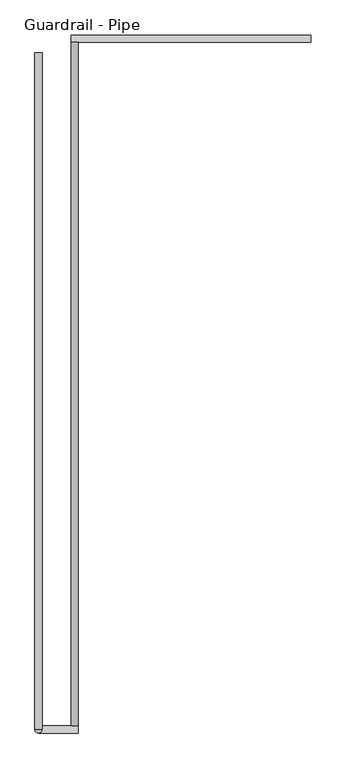
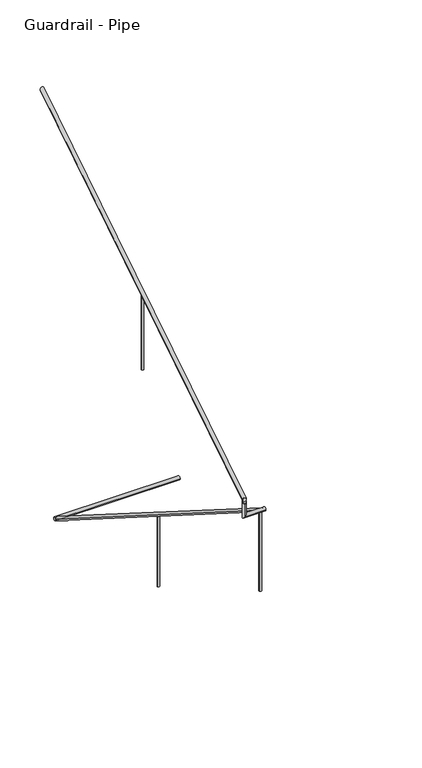
"""IFC4 building model written with IfcOpenShell, lengths in millimetres: railing geometry, Guardrail - Pipe."""

from ifc_helpers import new_model, si_unit, frame, origin, place, context, project, spatial, circle_curve, ellipse_curve, source, transform, mapped, element, save
from ifc_brep_helpers import plane_surface, cylinder_surface, advanced_brep


def guardrail_pipe_4aef4493(model_context):
    return source(origin(), model_context, "Body", "AdvancedBrep", [
        advanced_brep(
        [(583045.6754676, -251225.8580223, 880.1377262), (583007.5754676, -251225.8580223, 880.1377262), (583045.6754676, -254896.1580223, 3203.4252683), (583007.5754676, -254896.1580223, 3203.4252683)],
        [
            (0, 1, ellipse_curve(frame((583026.6254676, -251225.8580223, 880.1377262), z_axis=(0.0, 1.0, 0.0), x_axis=(0.0, 0.0, -1.0)), 22.5457755, 19.05)),
            (1, 0, ellipse_curve(frame((583026.6254676, -251225.8580223, 880.1377262), z_axis=(0.0, 1.0, 0.0), x_axis=(0.0, 0.0, -1.0)), 22.5457755, 19.05)),
            (2, 3, ellipse_curve(frame((583026.6254676, -254896.1580223, 3203.4252683), z_axis=(0.0, -1.0, 0.0), x_axis=(0.0, 0.0, -1.0)), 22.5457755, 19.05)),
            (3, 2, ellipse_curve(frame((583026.6254676, -254896.1580223, 3203.4252683), z_axis=(0.0, -1.0, 0.0), x_axis=(0.0, 0.0, -1.0)), 22.5457755, 19.05)),
            (1, 3),
            (2, 0),
        ],
        [
            plane_surface(frame((583026.6254676, -251225.8580223, 902.6835017), z_axis=(0.0, 1.0, 0.0), x_axis=(0.0, 0.0, -1.0))),
            plane_surface(frame((583026.6254676, -254896.1580223, 3225.9710438), z_axis=(0.0, -1.0, 0.0), x_axis=(0.0, 0.0, -1.0))),
            cylinder_surface(frame((583026.6254676, -251236.0468961, 886.587249), z_axis=(0.0, 0.8449476488296452, -0.5348490167675869), x_axis=(-1.0, 0.0, 0.0)), 19.05),
        ],
        [
            (0, [[1, 2]]),
            (1, [[3, 4]]),
            (2, [[-2, 5, -3, 6]]),
            (2, [[-1, -6, -4, -5]]),
        ],
    ),
        advanced_brep(
        [(583045.6754676, -254934.2580223, 3218.9796296), (583045.6754676, -254896.1580223, 3218.9796296), (582832.105137, -254896.1580223, 3218.9796296), (582832.105137, -254934.2580223, 3218.9796296), (582832.105137, -254934.2580223, 3357.738752), (582832.105137, -254896.1580223, 3381.8559237)],
        [
            (0, 1, circle_curve(frame((583045.6754676, -254915.2080223, 3218.9796296), z_axis=(1.0, 0.0, 0.0), x_axis=(0.0, 1.0, 0.0)), 19.05)),
            (1, 0, circle_curve(frame((583045.6754676, -254915.2080223, 3218.9796296), z_axis=(1.0, 0.0, 0.0), x_axis=(0.0, 1.0, 0.0)), 19.05)),
            (1, 2),
            (2, 3, ellipse_curve(frame((582832.105137, -254915.2080223, 3218.9796296), z_axis=(0.7071067811865475, 0.0, -0.7071067811865475), x_axis=(0.7071067811865476, 0.0, 0.7071067811865474)), 26.9407684, 19.05)),
            (3, 0),
            (3, 2, ellipse_curve(frame((582832.105137, -254915.2080223, 3218.9796296), z_axis=(0.7071067811865475, 0.0, -0.7071067811865475), x_axis=(0.7071067811865476, 0.0, 0.7071067811865474)), 26.9407684, 19.05)),
            (4, 5, ellipse_curve(frame((582832.105137, -254915.2080223, 3369.7973379), z_axis=(0.0, -0.5348490167675869, 0.8449476488296452), x_axis=(0.0, -0.8449476488296452, -0.5348490167675869)), 22.5457755, 19.05)),
            (5, 4, ellipse_curve(frame((582832.105137, -254915.2080223, 3369.7973379), z_axis=(0.0, -0.5348490167675869, 0.8449476488296452), x_axis=(0.0, -0.8449476488296452, -0.5348490167675869)), 22.5457755, 19.05)),
            (2, 5),
            (4, 3),
        ],
        [
            plane_surface(frame((583045.6754676, -254915.2080223, 3238.0296296), z_axis=(1.0, 0.0, 0.0), x_axis=(0.0, -1.0, 0.0))),
            cylinder_surface(frame((583045.6754676, -254915.2080223, 3218.9796296), z_axis=(1.0, 0.0, 0.0), x_axis=(0.0, 1.0, 0.0)), 19.05),
            plane_surface(frame((582851.155137, -254915.2080223, 3369.7973379), z_axis=(0.0, -0.5348490167675869, 0.8449476488296452), x_axis=(1.0, 0.0, 0.0))),
            cylinder_surface(frame((582832.105137, -254915.2080223, 3238.0296296), z_axis=(0.0, 0.0, -1.0), x_axis=(0.0, 1.0, 0.0)), 19.05),
        ],
        [
            (0, [[1, 2]]),
            (1, [[-2, 3, 4, 5]]),
            (1, [[-1, -5, 6, -3]]),
            (2, [[7, 8]]),
            (3, [[-4, 9, -7, 10]]),
            (3, [[-6, -10, -8, -9]]),
        ],
    ),
        advanced_brep(
        [(582813.055137, -254915.2080223, 3392.3431134), (582851.155137, -254915.2080223, 3392.3431134), (582813.055137, -251283.0080223, 5691.5134838), (582851.155137, -251283.0080223, 5691.5134838)],
        [
            (0, 1, ellipse_curve(frame((582832.105137, -254915.2080223, 3392.3431134), z_axis=(0.0, -1.0, 0.0), x_axis=(0.0, 0.0, -1.0)), 22.5457755, 19.05)),
            (1, 0, ellipse_curve(frame((582832.105137, -254915.2080223, 3392.3431134), z_axis=(0.0, -1.0, 0.0), x_axis=(0.0, 0.0, -1.0)), 22.5457755, 19.05)),
            (2, 3, ellipse_curve(frame((582832.105137, -251283.0080223, 5691.5134838), z_axis=(0.0, 1.0, 0.0), x_axis=(0.0, 0.0, -1.0)), 22.5457755, 19.05)),
            (3, 2, ellipse_curve(frame((582832.105137, -251283.0080223, 5691.5134838), z_axis=(0.0, 1.0, 0.0), x_axis=(0.0, 0.0, -1.0)), 22.5457755, 19.05)),
            (1, 3),
            (2, 0),
        ],
        [
            plane_surface(frame((582832.105137, -254915.2080223, 3414.8888889), z_axis=(0.0, -1.0, 0.0), x_axis=(0.0, 0.0, 1.0))),
            plane_surface(frame((582832.105137, -251283.0080223, 5714.0592593), z_axis=(0.0, 1.0, 0.0), x_axis=(0.0, 0.0, 1.0))),
            cylinder_surface(frame((582832.105137, -254905.0191486, 3398.7926362), z_axis=(0.0, -0.8449476488296452, -0.5348490167675869), x_axis=(1.0, 0.0, 0.0)), 19.05),
        ],
        [
            (0, [[1, 2]]),
            (1, [[3, 4]]),
            (2, [[-2, 5, -3, 6]]),
            (2, [[-1, -6, -4, -5]]),
        ],
    ),
        advanced_brep(
        [(584296.6254676, -251225.8580223, 871.5749158), (584296.6254676, -251187.7580223, 871.5749158), (583007.5754676, -251225.8580223, 871.5749158), (583007.5754676, -251187.7580223, 871.5749158)],
        [
            (0, 1, circle_curve(frame((584296.6254676, -251206.8080223, 871.5749158), z_axis=(1.0, 0.0, 0.0), x_axis=(0.0, 1.0, 0.0)), 19.05)),
            (1, 0, circle_curve(frame((584296.6254676, -251206.8080223, 871.5749158), z_axis=(1.0, 0.0, 0.0), x_axis=(0.0, 1.0, 0.0)), 19.05)),
            (2, 3, circle_curve(frame((583007.5754676, -251206.8080223, 871.5749158), z_axis=(-1.0, 0.0, 0.0), x_axis=(0.0, 1.0, 0.0)), 19.05)),
            (3, 2, circle_curve(frame((583007.5754676, -251206.8080223, 871.5749158), z_axis=(-1.0, 0.0, 0.0), x_axis=(0.0, 1.0, 0.0)), 19.05)),
            (1, 3),
            (2, 0),
        ],
        [
            plane_surface(frame((584296.6254676, -251206.8080223, 890.6249158), z_axis=(1.0, 0.0, 0.0), x_axis=(0.0, -1.0, 0.0))),
            plane_surface(frame((583007.5754676, -251206.8080223, 890.6249158), z_axis=(-1.0, 0.0, 0.0), x_axis=(0.0, -1.0, 0.0))),
            cylinder_surface(frame((584296.6254676, -251206.8080223, 871.5749158), z_axis=(1.0, 0.0, 0.0), x_axis=(0.0, 1.0, 0.0)), 19.05),
        ],
        [
            (0, [[1, 2]]),
            (1, [[3, 4]]),
            (2, [[-2, 5, -3, 6]]),
            (2, [[-1, -6, -4, -5]]),
        ],
    ),
        advanced_brep(
        [(582844.805137, -253086.4080223, 4527.4215803), (582844.805137, -253086.4080223, 3714.0444444), (582819.405137, -253086.4080223, 3714.0444444), (582819.405137, -253086.4080223, 4527.4215803)],
        [
            (0, 1),
            (1, 2, circle_curve(frame((582832.105137, -253086.4080223, 3714.0444444), z_axis=(0.0, 0.0, 1.0), x_axis=(-1.0, 0.0, 0.0)), 12.7)),
            (2, 3),
            (3, 0, ellipse_curve(frame((582832.105137, -253086.4080223, 4527.4215803), z_axis=(0.0, 0.5348490167675828, -0.844947648829648), x_axis=(0.0, 0.8449476488296481, 0.5348490167675825)), 15.030517, 12.7)),
            (0, 3, ellipse_curve(frame((582832.105137, -253086.4080223, 4527.4215803), z_axis=(0.0, 0.5348490167675828, -0.844947648829648), x_axis=(0.0, 0.8449476488296481, 0.5348490167675825)), 15.030517, 12.7)),
            (2, 1, circle_curve(frame((582832.105137, -253086.4080223, 3714.0444444), z_axis=(0.0, 0.0, 1.0), x_axis=(-1.0, 0.0, 0.0)), 12.7)),
        ],
        [
            cylinder_surface(frame((582832.105137, -253086.4080223, 3485.4444444), z_axis=(0.0, 0.0, 1.0), x_axis=(-1.0, 0.0, 0.0)), 12.7),
            plane_surface(frame((582806.705137, -253061.0080223, 4543.4996948), z_axis=(0.0, -0.5348490167675828, 0.844947648829648), x_axis=(1.0, 0.0, 0.0))),
            plane_surface(frame((582806.705137, -253111.8080223, 3714.0444444), z_axis=(0.0, 0.0, -1.0), x_axis=(1.0, 0.0, 0.0))),
        ],
        [
            (0, [[1, 2, 3, 4]]),
            (0, [[-1, 5, -3, 6]]),
            (1, [[-4, -5]]),
            (2, [[-2, -6]]),
        ],
    ),
        advanced_brep(
        [(583013.9254676, -254864.4080223, 3160.7818497), (583013.9254676, -254864.4080223, 2299.1703704), (583039.3254676, -254864.4080223, 2299.1703704), (583039.3254676, -254864.4080223, 3160.7818497)],
        [
            (0, 1),
            (1, 2, circle_curve(frame((583026.6254676, -254864.4080223, 2299.1703704), z_axis=(0.0, 0.0, 1.0), x_axis=(1.0, 0.0, 0.0)), 12.7)),
            (2, 3),
            (3, 0, ellipse_curve(frame((583026.6254676, -254864.4080223, 3160.7818497), z_axis=(0.0, -0.534849016767586, -0.8449476488296459), x_axis=(0.0, -0.8449476488296459, 0.5348490167675857)), 15.030517, 12.7)),
            (0, 3, ellipse_curve(frame((583026.6254676, -254864.4080223, 3160.7818497), z_axis=(0.0, -0.534849016767586, -0.8449476488296459), x_axis=(0.0, -0.8449476488296459, 0.5348490167675857)), 15.030517, 12.7)),
            (2, 1, circle_curve(frame((583026.6254676, -254864.4080223, 2299.1703704), z_axis=(0.0, 0.0, 1.0), x_axis=(1.0, 0.0, 0.0)), 12.7)),
        ],
        [
            cylinder_surface(frame((583026.6254676, -254864.4080223, 2070.5703704), z_axis=(0.0, 0.0, 1.0), x_axis=(1.0, 0.0, 0.0)), 12.7),
            plane_surface(frame((583052.0254676, -254889.8080223, 3176.8599642), z_axis=(0.0, 0.534849016767586, 0.8449476488296459), x_axis=(-1.0, 0.0, 0.0))),
            plane_surface(frame((583052.0254676, -254839.0080223, 2299.1703704), z_axis=(0.0, 0.0, -1.0), x_axis=(-1.0, 0.0, 0.0))),
        ],
        [
            (0, [[1, 2, 3, 4]]),
            (0, [[-1, 5, -3, 6]]),
            (1, [[-4, -5]]),
            (2, [[-2, -6]]),
        ],
    ),
        advanced_brep(
        [(583013.9254676, -253035.6080223, 2003.1576072), (583013.9254676, -253035.6080223, 1238.0148148), (583039.3254676, -253035.6080223, 1238.0148148), (583039.3254676, -253035.6080223, 2003.1576072)],
        [
            (0, 1),
            (1, 2, circle_curve(frame((583026.6254676, -253035.6080223, 1238.0148148), z_axis=(0.0, 0.0, 1.0), x_axis=(1.0, 0.0, 0.0)), 12.7)),
            (2, 3),
            (3, 0, ellipse_curve(frame((583026.6254676, -253035.6080223, 2003.1576072), z_axis=(0.0, -0.5348490167675843, -0.8449476488296469), x_axis=(0.0, -0.8449476488296469, 0.5348490167675843)), 15.030517, 12.7)),
            (0, 3, ellipse_curve(frame((583026.6254676, -253035.6080223, 2003.1576072), z_axis=(0.0, -0.5348490167675843, -0.8449476488296469), x_axis=(0.0, -0.8449476488296469, 0.5348490167675843)), 15.030517, 12.7)),
            (2, 1, circle_curve(frame((583026.6254676, -253035.6080223, 1238.0148148), z_axis=(0.0, 0.0, 1.0), x_axis=(1.0, 0.0, 0.0)), 12.7)),
        ],
        [
            cylinder_surface(frame((583026.6254676, -253035.6080223, 1009.4148148), z_axis=(0.0, 0.0, 1.0), x_axis=(1.0, 0.0, 0.0)), 12.7),
            plane_surface(frame((583052.0254676, -253061.0080223, 2019.2357217), z_axis=(0.0, 0.5348490167675843, 0.8449476488296469), x_axis=(-1.0, 0.0, 0.0))),
            plane_surface(frame((583052.0254676, -253010.2080223, 1238.0148148), z_axis=(0.0, 0.0, -1.0), x_axis=(-1.0, 0.0, 0.0))),
        ],
        [
            (0, [[1, 2, 3, 4]]),
            (0, [[-1, 5, -3, 6]]),
            (1, [[-4, -5]]),
            (2, [[-2, -6]]),
        ],
    ),
    ])


if __name__ == "__main__":
    model = new_model("IFC4")
    model_context = context("Model", 3, world=origin())
    ifc_project = project(units=[si_unit("LENGTHUNIT", "METRE", prefix="MILLI")], contexts=[model_context])
    site = spatial("IfcSite", under=ifc_project)
    building = spatial("IfcBuilding", under=site)
    placement = place(None, origin())
    guardrail_pipe_shape = guardrail_pipe_4aef4493(model_context)
    element("IfcRailing", 1, ObjectType="Guardrail - Pipe", at=placement, inside=building, context=model_context, shape_type="MappedRepresentation", body=[
        mapped(guardrail_pipe_shape, transform((0.0, 0.0, 0.0), x_axis=(1.0, 0.0, 0.0), y_axis=(0.0, 1.0, 0.0), z_axis=(0.0, 0.0, 1.0))),
    ])
    save(model, "model.ifc")
